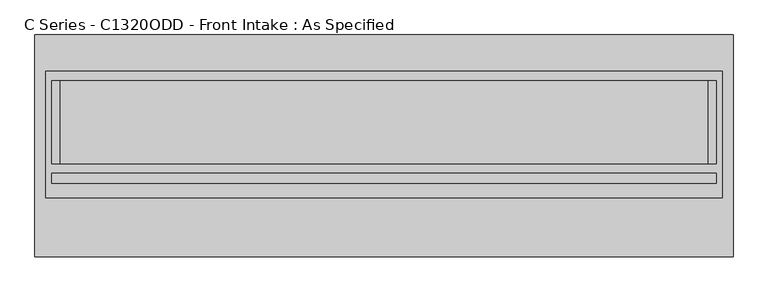
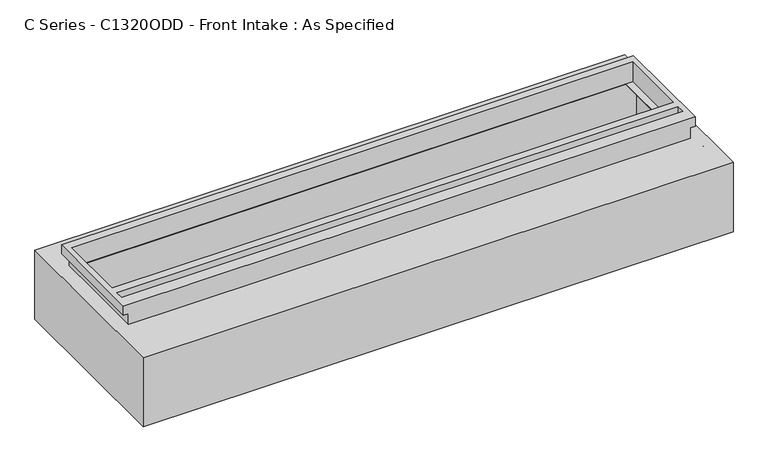
"""IFC4 building model written with IfcOpenShell, lengths in millimetres: proxy geometry, C Series - C1320ODD - Front Intake : As Specified."""

from ifc_helpers import new_model, si_unit, frame, origin, place, context, project, spatial, polyline, circle_curve, faceted_brep, source, transform, mapped, element, save
from ifc_brep_helpers import plane_surface, revolved_surface, advanced_brep


def c_series_c1320odd_front_intake_as_specified_4501cb90(model_context):
    return source(origin(), model_context, "Body", "SolidModel", [
        advanced_brep(
        [(2135.98125, 678.7058594, -530.3242188), (2135.98125, -678.7058594, -530.3242188), (-2135.98125, -678.7058594, -530.3242188), (-2135.98125, 678.7058594, -530.3242188), (2135.98125, 678.7058594, 0.0), (-2135.98125, 678.7058594, 0.0), (-2135.98125, -678.7058594, 0.0), (2135.98125, -678.7058594, 0.0), (1981.2, 399.2065905, 0.0), (1981.2, -108.7933661, 0.0), (-1981.2, -108.7933661, 0.0), (-1981.2, 399.2065905, 0.0), (2135.98125, -318.2441406, -430.3117188), (2135.98125, -340.4691406, -430.3117188), (2135.98125, -216.6441406, -430.3117188), (2135.98125, -238.8691406, -430.3117188), (2135.98125, -318.2441406, -100.1117188), (2135.98125, -340.4691406, -100.1117188), (2135.98125, -216.6441406, -100.1117188), (2135.98125, -238.8691406, -100.1117188), (2070.1, 416.7683594, -527.05), (-2070.1, 416.7683594, -527.05), (-2070.1, -129.3316406, -527.05), (2070.1, -129.3316406, -527.05), (2070.1, 416.7683594, -3.175), (2070.1, -129.3316406, -3.175), (-2070.1, -129.3316406, -3.175), (-2070.1, 416.7683594, -3.175), (1981.2, -108.7933661, -3.175), (1981.2, 399.2065905, -3.175), (-1981.2, 399.2065905, -3.175), (-1981.2, -108.7933661, -3.175), (2120.128271, -340.4691406, -430.3117188), (2120.128271, -318.2441406, -430.3117188), (2120.128271, -238.8691406, -430.3117188), (2120.128271, -216.6441406, -430.3117188), (2120.128271, -340.4691406, -100.1117188), (2120.128271, -318.2441406, -100.1117188), (2120.128271, -238.8691406, -100.1117188), (2120.128271, -216.6441406, -100.1117188)],
        [
            (0, 1),
            (1, 2),
            (2, 3),
            (3, 0),
            (4, 5),
            (5, 6),
            (6, 7),
            (7, 4),
            (8, 9),
            (9, 10),
            (10, 11),
            (11, 8),
            (3, 5),
            (4, 0),
            (2, 6),
            (1, 7),
            (12, 13, circle_curve(frame((2135.98125, -329.3566406, -430.3117188), z_axis=(-1.0, 0.0, 0.0), x_axis=(0.0, 1.0, 0.0)), 11.1125)),
            (13, 12, circle_curve(frame((2135.98125, -329.3566406, -430.3117188), z_axis=(-1.0, 0.0, 0.0), x_axis=(0.0, 1.0, 0.0)), 11.1125)),
            (14, 15, circle_curve(frame((2135.98125, -227.7566406, -430.3117188), z_axis=(-1.0, 0.0, 0.0), x_axis=(0.0, 1.0, 0.0)), 11.1125)),
            (15, 14, circle_curve(frame((2135.98125, -227.7566406, -430.3117188), z_axis=(-1.0, 0.0, 0.0), x_axis=(0.0, 1.0, 0.0)), 11.1125)),
            (16, 17, circle_curve(frame((2135.98125, -329.3566406, -100.1117188), z_axis=(-1.0, 0.0, 0.0), x_axis=(0.0, 1.0, 0.0)), 11.1125)),
            (17, 16, circle_curve(frame((2135.98125, -329.3566406, -100.1117188), z_axis=(-1.0, 0.0, 0.0), x_axis=(0.0, 1.0, 0.0)), 11.1125)),
            (18, 19, circle_curve(frame((2135.98125, -227.7566406, -100.1117188), z_axis=(-1.0, 0.0, 0.0), x_axis=(0.0, 1.0, 0.0)), 11.1125)),
            (19, 18, circle_curve(frame((2135.98125, -227.7566406, -100.1117188), z_axis=(-1.0, 0.0, 0.0), x_axis=(0.0, 1.0, 0.0)), 11.1125)),
            (20, 21),
            (21, 22),
            (22, 23),
            (23, 20),
            (24, 25),
            (25, 26),
            (26, 27),
            (27, 24),
            (28, 29),
            (29, 30),
            (30, 31),
            (31, 28),
            (23, 25),
            (24, 20),
            (22, 26),
            (21, 27),
            (8, 29),
            (28, 9),
            (31, 10),
            (30, 11),
            (32, 33, circle_curve(frame((2120.128271, -329.3566406, -430.3117188), z_axis=(1.0, 0.0, 0.0), x_axis=(0.0, 1.0, 0.0)), 11.1125)),
            (33, 32, circle_curve(frame((2120.128271, -329.3566406, -430.3117188), z_axis=(1.0, 0.0, 0.0), x_axis=(0.0, 1.0, 0.0)), 11.1125)),
            (34, 35, circle_curve(frame((2120.128271, -227.7566406, -430.3117188), z_axis=(1.0, 0.0, 0.0), x_axis=(0.0, 1.0, 0.0)), 11.1125)),
            (35, 34, circle_curve(frame((2120.128271, -227.7566406, -430.3117188), z_axis=(1.0, 0.0, 0.0), x_axis=(0.0, 1.0, 0.0)), 11.1125)),
            (36, 37, circle_curve(frame((2120.128271, -329.3566406, -100.1117188), z_axis=(1.0, 0.0, 0.0), x_axis=(0.0, 1.0, 0.0)), 11.1125)),
            (37, 36, circle_curve(frame((2120.128271, -329.3566406, -100.1117188), z_axis=(1.0, 0.0, 0.0), x_axis=(0.0, 1.0, 0.0)), 11.1125)),
            (38, 39, circle_curve(frame((2120.128271, -227.7566406, -100.1117188), z_axis=(1.0, 0.0, 0.0), x_axis=(0.0, 1.0, 0.0)), 11.1125)),
            (39, 38, circle_curve(frame((2120.128271, -227.7566406, -100.1117188), z_axis=(1.0, 0.0, 0.0), x_axis=(0.0, 1.0, 0.0)), 11.1125)),
            (32, 13),
            (12, 33),
            (34, 15),
            (14, 35),
            (36, 17),
            (16, 37),
            (38, 19),
            (18, 39),
        ],
        [
            plane_surface(frame((-2135.98125, 678.7058594, -530.3242188), z_axis=(0.0, 0.0, -1.0), x_axis=(1.0, 0.0, 0.0))),
            plane_surface(frame((-2135.98125, 678.7058594, 0.0), z_axis=(0.0, 0.0, 1.0), x_axis=(-1.0, 0.0, 0.0))),
            plane_surface(frame((2135.98125, 678.7058594, 0.0), z_axis=(0.0, 1.0, 0.0), x_axis=(0.0, 0.0, -1.0))),
            plane_surface(frame((-2135.98125, 678.7058594, 0.0), z_axis=(-1.0, 0.0, 0.0), x_axis=(0.0, 0.0, -1.0))),
            plane_surface(frame((-2135.98125, -678.7058594, 0.0), z_axis=(0.0, -1.0, 0.0), x_axis=(0.0, 0.0, -1.0))),
            plane_surface(frame((2135.98125, -678.7058594, 0.0), z_axis=(1.0, 0.0, 0.0), x_axis=(0.0, 0.0, -1.0))),
            plane_surface(frame((2070.1, 416.7683594, -527.05), z_axis=(0.0, 0.0, 1.0), x_axis=(0.0, -1.0, 0.0))),
            plane_surface(frame((2070.1, 416.7683594, -3.175), z_axis=(0.0, 0.0, -1.0), x_axis=(0.0, 1.0, 0.0))),
            plane_surface(frame((2070.1, 416.7683594, -527.05), z_axis=(-1.0, 0.0, 0.0), x_axis=(0.0, 0.0, 1.0))),
            plane_surface(frame((2070.1, -129.3316406, -527.05), z_axis=(0.0, 1.0, 0.0), x_axis=(0.0, 0.0, 1.0))),
            plane_surface(frame((-2070.1, -129.3316406, -527.05), z_axis=(1.0, 0.0, 0.0), x_axis=(0.0, 0.0, 1.0))),
            plane_surface(frame((-2070.1, 416.7683594, -527.05), z_axis=(0.0, -1.0, 0.0), x_axis=(0.0, 0.0, 1.0))),
            plane_surface(frame((1981.2, 399.2065905, -25.4), z_axis=(-1.0, 0.0, 0.0), x_axis=(0.0, 0.0, 1.0))),
            plane_surface(frame((1981.2, -108.7933661, -25.4), z_axis=(0.0, 1.0, 0.0), x_axis=(0.0, 0.0, 1.0))),
            plane_surface(frame((-1981.2, -108.7933661, -25.4), z_axis=(1.0, 0.0, 0.0), x_axis=(0.0, 0.0, 1.0))),
            plane_surface(frame((-1981.2, 399.2065905, -25.4), z_axis=(0.0, -1.0, 0.0), x_axis=(0.0, 0.0, 1.0))),
            plane_surface(frame((2120.128271, -318.2441406, -430.3117188), z_axis=(1.0, 0.0, 0.0), x_axis=(0.0, 0.0, -1.0))),
            revolved_surface(polyline([(2135.98125, -318.2441406, -430.3117188), (2120.128271, -318.2441406, -430.3117188)]), (2120.128271, -329.3566406, -430.3117188), (1.0, 0.0, 0.0)),
            revolved_surface(polyline([(2135.98125, -216.6441406, -430.3117188), (2120.128271, -216.6441406, -430.3117188)]), (0.0, -227.7566406, -430.3117188), (1.0, 0.0, 0.0)),
            revolved_surface(polyline([(2135.98125, -318.2441406, -100.1117187), (2120.128271, -318.2441406, -100.1117187)]), (0.0, -329.3566406, -100.1117187), (1.0, 0.0, 0.0)),
            revolved_surface(polyline([(2135.98125, -216.6441406, -100.1117188), (2120.128271, -216.6441406, -100.1117188)]), (0.0, -227.7566406, -100.1117188), (1.0, 0.0, 0.0)),
        ],
        [
            (0, [[1, 2, 3, 4]]),
            (1, [[5, 6, 7, 8], [9, 10, 11, 12]]),
            (2, [[-4, 13, -5, 14]]),
            (3, [[-3, 15, -6, -13]]),
            (4, [[-2, 16, -7, -15]]),
            (5, [[-1, -14, -8, -16], [17, 18], [19, 20], [21, 22], [23, 24]]),
            (6, [[25, 26, 27, 28]]),
            (7, [[29, 30, 31, 32], [33, 34, 35, 36]]),
            (8, [[-28, 37, -29, 38]]),
            (9, [[-27, 39, -30, -37]]),
            (10, [[-26, 40, -31, -39]]),
            (11, [[-25, -38, -32, -40]]),
            (12, [[41, -33, 42, -9]]),
            (13, [[-42, -36, 43, -10]]),
            (14, [[-43, -35, 44, -11]]),
            (15, [[-41, -12, -44, -34]]),
            (16, [[45, 46]]),
            (16, [[47, 48]]),
            (16, [[49, 50]]),
            (16, [[51, 52]]),
            (17, [[-45, 53, -17, 54]]),
            (17, [[-46, -54, -18, -53]]),
            (18, [[-47, 55, -19, 56]]),
            (18, [[-48, -56, -20, -55]]),
            (19, [[-49, 57, -21, 58]]),
            (19, [[-50, -58, -22, -57]]),
            (20, [[-51, 59, -23, 60]]),
            (20, [[-52, -60, -24, -59]]),
        ],
    ),
        faceted_brep([(2070.1, 456.4558594, 152.4), (-2070.1, 456.4558594, 152.4), (-2070.1, -318.2441406, 152.4), (2070.1, -318.2441406, 152.4), (2032.0, 399.2065905, 152.4), (2032.0, -108.7933661, 152.4), (-2032.0, -108.7933661, 152.4), (-2032.0, 399.2065905, 152.4), (2032.0, -167.4316406, 152.4), (2032.0, -227.7566406, 152.4), (-2032.0, -227.7566406, 152.4), (-2032.0, -167.4316406, 152.4), (2035.175, -318.2441406, 0.0), (-2035.175, -318.2441406, 0.0), (-2035.175, 421.5308594, 0.0), (2035.175, 421.5308594, 0.0), (2032.0, -108.7933661, 0.0), (2032.0, 399.2065905, 0.0), (-2032.0, 399.2065905, 0.0), (-2032.0, -108.7933661, 0.0), (2070.1, 456.4558594, 82.55), (-2070.1, 456.4558594, 82.55), (-2070.1, -318.2441406, 82.55), (-2035.175, -318.2441406, 82.55), (2035.175, -318.2441406, 82.55), (2070.1, -318.2441406, 82.55), (2035.175, 421.5308594, 82.55), (-2035.175, 421.5308594, 82.55), (2032.0, -167.4316406, 82.55), (-2032.0, -167.4316406, 82.55), (-2032.0, -227.7566406, 82.55), (2032.0, -227.7566406, 82.55)], [[[0, 1, 2, 3], [4, 5, 6, 7], [8, 9, 10, 11]], [[12, 13, 14, 15], [16, 17, 18, 19]], [[1, 0, 20, 21]], [[2, 1, 21, 22]], [[3, 2, 22, 23, 13, 12, 24, 25]], [[0, 3, 25, 20]], [[24, 26, 27, 23, 22, 21, 20, 25]], [[26, 24, 12, 15]], [[27, 26, 15, 14]], [[23, 27, 14, 13]], [[16, 5, 4, 17]], [[5, 16, 19, 6]], [[6, 19, 18, 7]], [[17, 4, 7, 18]], [[28, 29, 30, 31]], [[28, 31, 9, 8]], [[31, 30, 10, 9]], [[30, 29, 11, 10]], [[29, 28, 8, 11]]]),
    ])


if __name__ == "__main__":
    model = new_model("IFC4")
    model_context = context("Model", 3, world=origin())
    ifc_project = project(units=[si_unit("LENGTHUNIT", "METRE", prefix="MILLI")], contexts=[model_context])
    site = spatial("IfcSite", under=ifc_project)
    building = spatial("IfcBuilding", under=site)
    placement = place(None, origin())
    c_series_c1320odd_front_intake_as_specified_shape = c_series_c1320odd_front_intake_as_specified_4501cb90(model_context)
    element("IfcBuildingElementProxy", 1, Name="C Series - C1320ODD - Front Intake : As Specified", ObjectType="C Series - C1320ODD - Front Intake : As Specified", at=placement, inside=building, context=model_context, shape_type="MappedRepresentation", body=[
        mapped(c_series_c1320odd_front_intake_as_specified_shape, transform((0.0, 0.0, 0.0), x_axis=(1.0, 0.0, 0.0), y_axis=(0.0, 1.0, 0.0), z_axis=(0.0, 0.0, 1.0))),
    ])
    save(model, "model.ifc")
